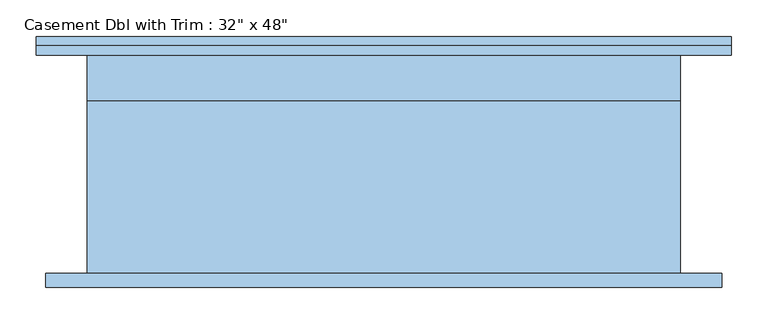
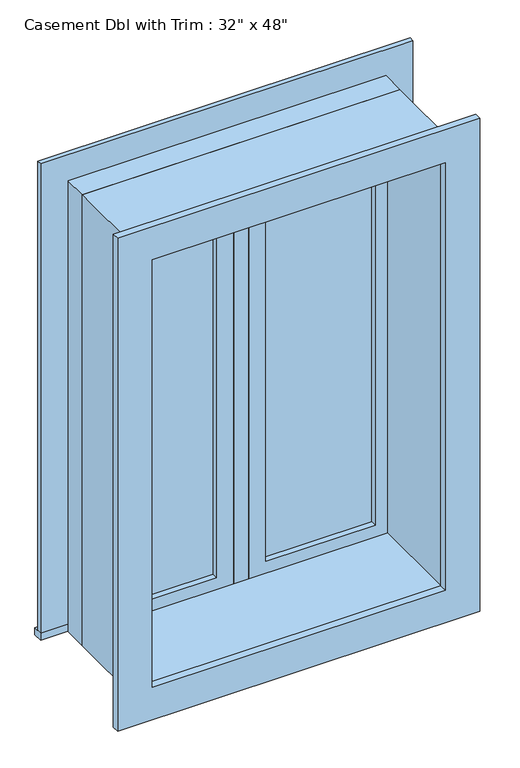
"""IFC4 building model written with IfcOpenShell, lengths in millimetres: window geometry."""

from ifc_helpers import new_model, si_unit, frame, origin, place, context, project, spatial, polyline, outline, extrude, source, transform, mapped, element, save


def window_74d245a8(model_context):
    return source(origin(), model_context, "Body", "SweptSolid", [
        extrude(outline(polyline([(63.5, 134.125), (342.9, 134.125), (342.9, 121.425), (63.5, 121.425), (63.5, 134.125)])), frame((0.0, 0.0, 977.9), z_axis=(0.0, 0.0, 1.0), x_axis=(1.0, 0.0, 0.0)), (0.0, 0.0, 1.0), 1092.2),
        extrude(outline(polyline([(2114.55, 19.05), (933.45, 19.05), (933.45, 387.35), (2114.55, 387.35), (2114.55, 19.05)]), holes=[polyline([(2070.1, 63.5), (2070.1, 342.9), (977.9, 342.9), (977.9, 63.5), (2070.1, 63.5)])]), frame((0.0, 105.55, 0.0), z_axis=(0.0, 1.0, 0.0), x_axis=(0.0, 0.0, 1.0)), (0.0, 0.0, 1.0), 44.45),
        extrude(outline(polyline([(19.05, 105.55), (-19.05, 105.55), (-19.05, 169.05), (19.05, 169.05), (19.05, 105.55)])), frame((0.0, 0.0, 933.45), z_axis=(0.0, 0.0, 1.0), x_axis=(1.0, 0.0, 0.0)), (0.0, 0.0, 1.0), 1181.1),
        extrude(outline(polyline([(-476.25, 194.45), (476.25, 194.45), (476.25, 169.05), (-476.25, 169.05), (-476.25, 194.45)])), frame((0.0, 0.0, 914.4), z_axis=(0.0, 0.0, 1.0), x_axis=(1.0, 0.0, 0.0)), (0.0, 0.0, 1.0), 19.05),
        extrude(outline(polyline([(2114.55, -387.35), (2114.55, 387.35), (933.45, 387.35), (933.45, 476.25), (2203.45, 476.25), (2203.45, -476.25), (933.45, -476.25), (933.45, -387.35), (2114.55, -387.35)])), frame((0.0, 169.05, 0.0), z_axis=(0.0, 1.0, 0.0), x_axis=(0.0, 0.0, 1.0)), (0.0, 0.0, 1.0), 12.7),
        extrude(outline(polyline([(2190.75, 463.55), (2190.75, -463.55), (857.25, -463.55), (857.25, 463.55), (2190.75, 463.55)]), holes=[polyline([(2101.85, 374.65), (946.15, 374.65), (946.15, -374.65), (2101.85, -374.65), (2101.85, 374.65)])]), frame((0.0, -150.0, 0.0), z_axis=(0.0, 1.0, 0.0), x_axis=(0.0, 0.0, 1.0)), (0.0, 0.0, 1.0), 19.05),
        extrude(outline(polyline([(-63.5, 121.425), (-342.9, 121.425), (-342.9, 134.125), (-63.5, 134.125), (-63.5, 121.425)])), frame((0.0, 0.0, 977.9), z_axis=(0.0, 0.0, 1.0), x_axis=(1.0, 0.0, 0.0)), (0.0, 0.0, 1.0), 1092.2),
        extrude(outline(polyline([(2114.55, -387.35), (933.45, -387.35), (933.45, -19.05), (2114.55, -19.05), (2114.55, -387.35)]), holes=[polyline([(2070.1, -342.9), (2070.1, -63.5), (977.9, -63.5), (977.9, -342.9), (2070.1, -342.9)])]), frame((0.0, 105.55, 0.0), z_axis=(0.0, 1.0, 0.0), x_axis=(0.0, 0.0, 1.0)), (0.0, 0.0, 1.0), 44.45),
        extrude(outline(polyline([(2133.6, -406.4), (914.4, -406.4), (914.4, 406.4), (2133.6, 406.4), (2133.6, -406.4)]), holes=[polyline([(2101.85, -374.65), (2101.85, 374.65), (946.15, 374.65), (946.15, -374.65), (2101.85, -374.65)])]), frame((0.0, -130.95, 0.0), z_axis=(0.0, 1.0, 0.0), x_axis=(0.0, 0.0, 1.0)), (0.0, 0.0, 1.0), 236.5),
        extrude(outline(polyline([(2133.6, 406.4), (2133.6, -406.4), (914.4, -406.4), (914.4, 406.4), (2133.6, 406.4)]), holes=[polyline([(2114.55, 387.35), (933.45, 387.35), (933.45, -387.35), (2114.55, -387.35), (2114.55, 387.35)])]), frame((0.0, 105.55, 0.0), z_axis=(0.0, 1.0, 0.0), x_axis=(0.0, 0.0, 1.0)), (0.0, 0.0, 1.0), 63.5),
    ])


if __name__ == "__main__":
    model = new_model("IFC4")
    model_context = context("Model", 3, world=origin())
    ifc_project = project(units=[si_unit("LENGTHUNIT", "METRE", prefix="MILLI")], contexts=[model_context])
    site = spatial("IfcSite", under=ifc_project)
    building = spatial("IfcBuilding", under=site)
    placement = place(None, origin())
    window_shape = window_74d245a8(model_context)
    element("IfcWindow", 1, ObjectType="Casement Dbl with Trim : 32\" x 48\"", at=placement, inside=building, context=model_context, shape_type="MappedRepresentation", body=[
        mapped(window_shape, transform((0.0, 0.0, 0.0), x_axis=(1.0, 0.0, 0.0), y_axis=(0.0, 1.0, 0.0), z_axis=(0.0, 0.0, 1.0))),
    ])
    save(model, "model.ifc")
